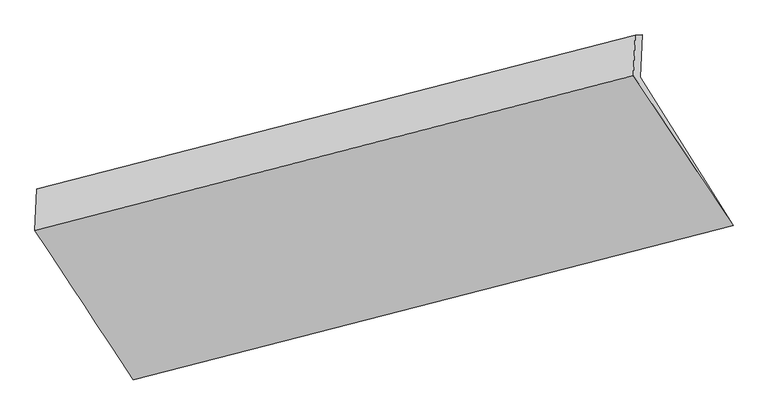
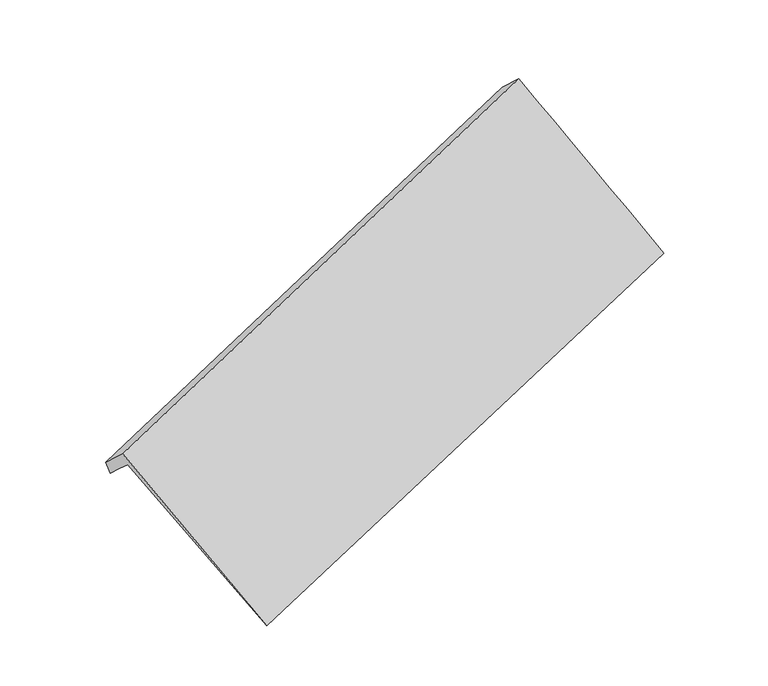
"""IFC4 building model written with IfcOpenShell, lengths in millimetres: proxy geometry."""

from ifc_helpers import new_model, si_unit, frame, origin, place, context, project, spatial, source, transform, mapped, element, save
from ifc_brep_helpers import plane_surface, spline_surface, advanced_brep


def generic_models_240d0ec4(model_context):
    return source(origin(), model_context, "Body", "AdvancedBrep", [
        advanced_brep(
        [(-5163.2530181, -2019.565201, 1451.1096425), (-5156.1866502, -1864.9710294, 1312.5413285), (-759.2908417, -733.6783104, 2799.6645117), (-766.3747006, -888.6551414, 2938.575817), (-5149.1202824, -1710.3768578, 1173.9730146), (-752.2069828, -578.7014794, 2660.7532064), (-5190.8870626, -1711.6137151, 1298.4329941), (-803.6584865, -580.3896273, 2814.1977017), (-5204.6889576, -2013.564104, 1569.0819834), (-817.2810141, -878.4159142, 3081.3293773), (-4483.0638051, -3109.8380925, 269.4299163), (-86.2193607, -1978.8737377, 1756.9549381)],
        [
            (0, 1),
            (1, 2),
            (2, 3),
            (3, 0),
            (1, 4),
            (4, 5),
            (5, 2),
            (4, 6),
            (6, 7),
            (7, 5),
            (6, 8),
            (8, 9),
            (9, 7),
            (8, 10),
            (10, 11),
            (11, 9),
            (10, 0),
            (3, 11),
        ],
        [
            plane_surface(frame((-5159.7198342, -1942.2681152, 1381.8254855), z_axis=(0.3896209099594905, -0.6245219829402283, -0.676880963941773), x_axis=(0.03401758518027076, 0.7442183186627522, -0.6670696350946348))),
            plane_surface(frame((-5152.6534663, -1787.6739436, 1243.2571715), z_axis=(0.3896209099594904, -0.6245219829402341, -0.6768809639417678), x_axis=(0.034017585180354686, 0.7442183186627682, -0.6670696350946127))),
            spline_surface(1, 1, [[(-5149.1202824, -1710.3768578, 1173.9730146), (-752.2069828, -578.7014794, 2660.7532064)], [(-5190.8870626, -1711.6137151, 1298.4329941), (-803.6584865, -580.3896273, 2814.1977017)]], [2, 2], [2, 2], [0.0, 1.0], [0.0, 1.0]),
            plane_surface(frame((-5197.7880101, -1862.5889096, 1433.7574888), z_axis=(-0.3940684138138874, 0.6233688062821391, 0.675367615886776), x_axis=(-0.03401758518035498, -0.744218318662769, 0.6670696350946118))),
            spline_surface(1, 1, [[(-5204.6889576, -2013.564104, 1569.0819834), (-817.2810141, -878.4159142, 3081.3293773)], [(-4483.0638051, -3109.8380925, 269.4299163), (-86.2193607, -1978.8737377, 1756.9549381)]], [2, 2], [2, 2], [0.0, 1.0], [0.0, 1.0]),
            plane_surface(frame((-4823.1584116, -2564.7016467, 860.2697794), z_axis=(0.03421569017614526, 0.7442692897908306, -0.6670026317939255), x_axis=(-0.38962090995949483, 0.6245219829402335, 0.6768809639417658))),
            plane_surface(frame((-645.1481089, -981.00718, 2650.3622081), z_axis=(0.9203468641880826, 0.23687842238411122, 0.31120774827754194), x_axis=(0.3908009256440644, -0.5882676708029441, -0.7079659483363743))),
            plane_surface(frame((-5038.2026251, -2112.9915941, 1152.4055102), z_axis=(-0.9203468641880823, -0.23687842238408946, -0.3112077482775594), x_axis=(0.3896209099594934, -0.6245219829402321, -0.676880963941768))),
        ],
        [
            (0, [[1, 2, 3, 4]]),
            (1, [[5, 6, 7, -2]]),
            (2, [[8, 9, 10, -6]]),
            (3, [[11, 12, 13, -9]]),
            (4, [[14, 15, 16, -12]]),
            (5, [[17, -4, 18, -15]]),
            (6, [[-16, -18, -3, -7, -10, -13]]),
            (7, [[-17, -14, -11, -8, -5, -1]]),
        ],
    ),
    ])


if __name__ == "__main__":
    model = new_model("IFC4")
    model_context = context("Model", 3, world=origin())
    ifc_project = project(units=[si_unit("LENGTHUNIT", "METRE", prefix="MILLI")], contexts=[model_context])
    site = spatial("IfcSite", under=ifc_project)
    building = spatial("IfcBuilding", under=site)
    placement = place(None, origin())
    generic_models_shape = generic_models_240d0ec4(model_context)
    element("IfcBuildingElementProxy", 1, Name="Generic Models", at=placement, inside=building, context=model_context, shape_type="MappedRepresentation", body=[
        mapped(generic_models_shape, transform((0.0, 0.0, 0.0), x_axis=(1.0, 0.0, 0.0), y_axis=(0.0, 1.0, 0.0), z_axis=(0.0, 0.0, 1.0))),
    ])
    save(model, "model.ifc")
